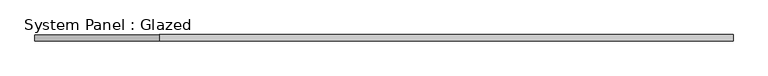
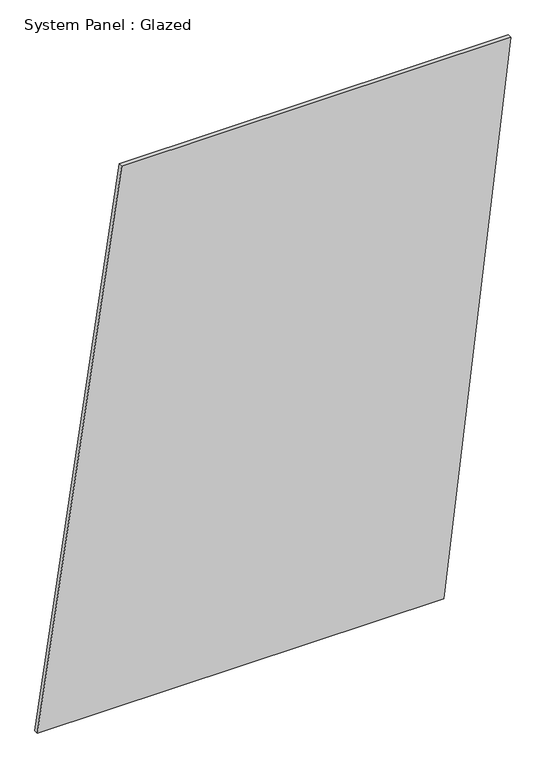
"""IFC4 building model written with IfcOpenShell, lengths in millimetres: plate geometry, System Panel : Glazed."""

from ifc_helpers import new_model, si_unit, frame, origin, place, context, project, spatial, polyline, outline, extrude, source, transform, mapped, element, save


def system_panel_glazed_c1eb375a(model_context):
    return source(origin(), model_context, "Body", "SweptSolid", [
        extrude(outline(polyline([(0.0, -1387.4471487), (0.0, 992.7789849), (3338.9590981, 1387.4471487), (3338.9590981, -894.1119439), (0.0, -1387.4471487)])), frame((0.0, -49.5, 0.0), z_axis=(0.0, 1.0, 0.0), x_axis=(0.0, 0.0, 1.0)), (0.0, 0.0, 1.0), 25.0),
    ])


if __name__ == "__main__":
    model = new_model("IFC4")
    model_context = context("Model", 3, world=origin())
    ifc_project = project(units=[si_unit("LENGTHUNIT", "METRE", prefix="MILLI")], contexts=[model_context])
    site = spatial("IfcSite", under=ifc_project)
    building = spatial("IfcBuilding", under=site)
    placement = place(None, origin())
    system_panel_glazed_shape = system_panel_glazed_c1eb375a(model_context)
    element("IfcPlate", 1, ObjectType="System Panel : Glazed", at=placement, inside=building, context=model_context, shape_type="MappedRepresentation", body=[
        mapped(system_panel_glazed_shape, transform((0.0, 0.0, 0.0), x_axis=(1.0, 0.0, 0.0), y_axis=(0.0, 1.0, 0.0), z_axis=(0.0, 0.0, 1.0))),
    ])
    save(model, "model.ifc")
